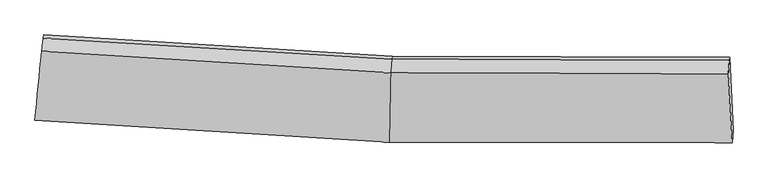
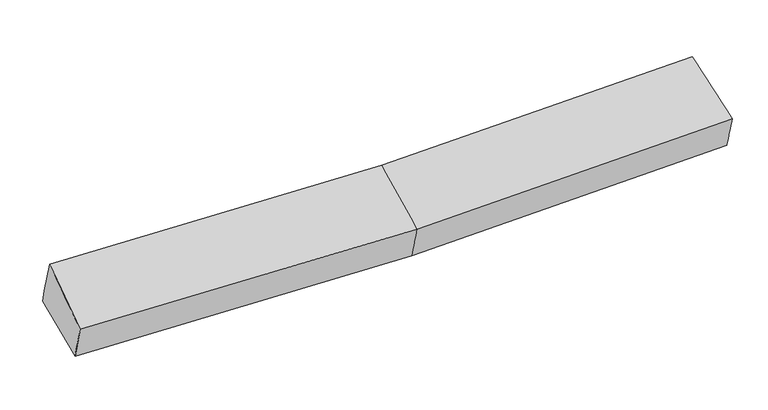
"""IFC4 building model written with IfcOpenShell, lengths in millimetres: proxy geometry."""

from ifc_helpers import new_model, si_unit, frame, origin, place, context, project, spatial, source, transform, mapped, element, save
from ifc_brep_helpers import plane_surface, spline_surface, advanced_brep


def generic_models_82ed34fe(model_context):
    return source(origin(), model_context, "Body", "AdvancedBrep", [
        advanced_brep(
        [(-3298.9450929, -1920.0905642, 2031.4120644), (-3285.6292028, -1808.0187748, 1671.5991223), (23.6900478, -2011.402315, 1716.1613332), (12.8418101, -2123.6344069, 2076.0071689), (-3217.6223648, -1122.2708867, 1820.4275603), (41.0327872, -1322.3632076, 1864.3144227), (-3221.3517372, -1151.6000959, 1957.2701314), (37.3034149, -1351.6924169, 2001.1569938), (-3235.9637771, -1276.3895765, 2320.4149153), (26.0064517, -1476.69725, 2364.3459674), (3192.4759743, -1358.8002465, 2070.2754424), (3184.3884155, -1483.7909908, 2433.5549016), (3219.4524765, -2130.5164312, 2146.5758573), (3227.9117215, -2018.2948266, 1786.6626667), (3196.2053466, -1329.4710372, 1933.4328713)],
        [
            (0, 1),
            (1, 2),
            (2, 3),
            (3, 0),
            (1, 4),
            (4, 5),
            (5, 1),
            (4, 6),
            (6, 7),
            (7, 5),
            (6, 8),
            (8, 9),
            (9, 7),
            (8, 0),
            (3, 9),
            (10, 11),
            (11, 12),
            (12, 13),
            (13, 14),
            (14, 10),
            (5, 2),
            (9, 11),
            (10, 7),
            (3, 12),
            (2, 13),
            (5, 14),
        ],
        [
            spline_surface(1, 1, [[(-3298.9450929, -1920.0905642, 2031.4120644), (12.8418101, -2123.6344069, 2076.0071689)], [(-3285.6292028, -1808.0187748, 1671.5991223), (23.6900478, -2011.402315, 1716.1613332)]], [2, 2], [2, 2], [0.0, 1.0], [0.0, 1.0]),
            plane_surface(frame((-3251.6257838, -1465.1448308, 1746.0133413), z_axis=(0.026031481377355427, 0.20955525365699174, -0.9774502328211163), x_axis=(0.096463599944527, 0.9726920398582106, 0.2111041673729242))),
            plane_surface(frame((-3219.487051, -1136.9354913, 1888.8488459), z_axis=(0.05708441530441081, 0.9758795622719169, 0.21071414159786642), x_axis=(-0.02663837379895825, -0.20949435165185362, 0.9774469364969725))),
            spline_surface(1, 1, [[(-3221.3517372, -1151.6000959, 1957.2701314), (37.3034149, -1351.6924169, 2001.1569938)], [(-3235.9637771, -1276.3895765, 2320.4149153), (26.0064517, -1476.69725, 2364.3459674)]], [2, 2], [2, 2], [0.0, 1.0], [0.0, 1.0]),
            spline_surface(1, 1, [[(-3235.9637771, -1276.3895765, 2320.4149153), (26.0064517, -1476.69725, 2364.3459674)], [(-3298.9450929, -1920.0905642, 2031.4120644), (12.8418101, -2123.6344069, 2076.0071689)]], [2, 2], [2, 2], [0.0, 1.0], [0.0, 1.0]),
            plane_surface(frame((3204.0867869, -1664.1747065, 2074.1003479), z_axis=(0.9986329526027573, 0.03841358776673504, 0.03544886811714277), x_axis=(-0.021046793011213604, -0.3252717405449549, 0.945386337592626))),
            plane_surface(frame((-3251.9024349, -1455.6739796, 1960.2247588), z_axis=(-0.9949799851891907, 0.09991152197026637, -0.005702354820841707), x_axis=(0.08890557214588996, 0.9086600360028817, 0.407961687187233))),
            plane_surface(frame((-3285.6292028, -1808.0187748, 1671.5991223), z_axis=(0.02603830461385323, 0.20951211317055776, -0.9774592989621836), x_axis=(0.024599630427697507, 0.9773604359689001, 0.21014622619857384))),
            spline_surface(1, 1, [[(37.3034149, -1351.6924169, 2001.1569938), (3192.4759743, -1358.8002465, 2070.2754424)], [(26.0064517, -1476.69725, 2364.3459674), (3184.3884155, -1483.7909908, 2433.5549016)]], [2, 2], [2, 2], [0.0, 1.0], [0.0, 1.0]),
            spline_surface(1, 1, [[(26.0064517, -1476.69725, 2364.3459674), (3184.3884155, -1483.7909908, 2433.5549016)], [(12.8418101, -2123.6344069, 2076.0071689), (3219.4524765, -2130.5164312, 2146.5758573)]], [2, 2], [2, 2], [0.0, 1.0], [0.0, 1.0]),
            spline_surface(1, 1, [[(12.8418101, -2123.6344069, 2076.0071689), (3219.4524765, -2130.5164312, 2146.5758573)], [(23.6900478, -2011.402315, 1716.1613332), (3227.9117215, -2018.2948266, 1786.6626667)]], [2, 2], [2, 2], [0.0, 1.0], [0.0, 1.0]),
            spline_surface(1, 1, [[(23.6900478, -2011.402315, 1716.1613332), (3227.9117215, -2018.2948266, 1786.6626667)], [(41.0327872, -1322.3632076, 1864.3144227), (3196.2053466, -1329.4710372, 1933.4328713)]], [2, 2], [2, 2], [0.0, 1.0], [0.0, 1.0]),
            plane_surface(frame((39.1681011, -1337.0278123, 1932.7357082), z_axis=(-0.0023867656801285285, 0.977804462752231, 0.20950593302197756), x_axis=(-0.026638373799142794, -0.20949435165191363, 0.9774469364969546))),
        ],
        [
            (0, [[1, 2, 3, 4]]),
            (1, [[5, 6, 7]]),
            (2, [[8, 9, 10, -6]]),
            (3, [[11, 12, 13, -9]]),
            (4, [[14, -4, 15, -12]]),
            (5, [[16, 17, 18, 19, 20]]),
            (6, [[-14, -11, -8, -5, -1]]),
            (7, [[21, -2, -7]]),
            (8, [[-13, 22, -16, 23]]),
            (9, [[-15, 24, -17, -22]]),
            (10, [[-3, 25, -18, -24]]),
            (11, [[-21, 26, -19, -25]]),
            (12, [[-10, -23, -20, -26]]),
        ],
    ),
    ])


if __name__ == "__main__":
    model = new_model("IFC4")
    model_context = context("Model", 3, world=origin())
    ifc_project = project(units=[si_unit("LENGTHUNIT", "METRE", prefix="MILLI")], contexts=[model_context])
    site = spatial("IfcSite", under=ifc_project)
    building = spatial("IfcBuilding", under=site)
    placement = place(None, origin())
    generic_models_shape = generic_models_82ed34fe(model_context)
    element("IfcBuildingElementProxy", 1, Name="Generic Models", at=placement, inside=building, context=model_context, shape_type="MappedRepresentation", body=[
        mapped(generic_models_shape, transform((0.0, 0.0, 0.0), x_axis=(1.0, 0.0, 0.0), y_axis=(0.0, 1.0, 0.0), z_axis=(0.0, 0.0, 1.0))),
    ])
    save(model, "model.ifc")
